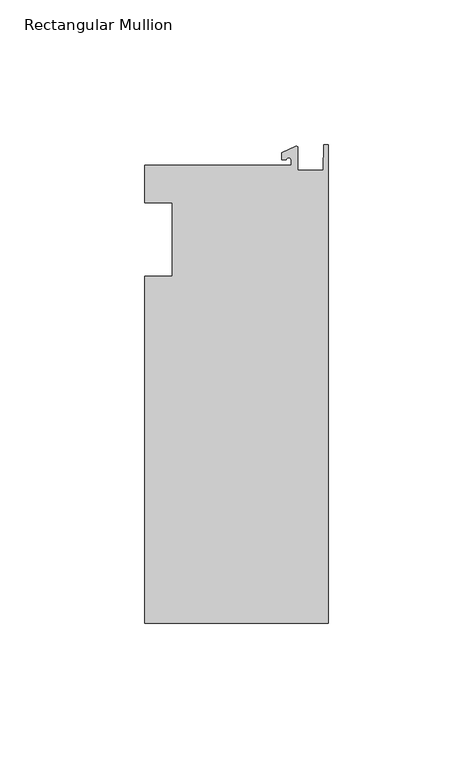
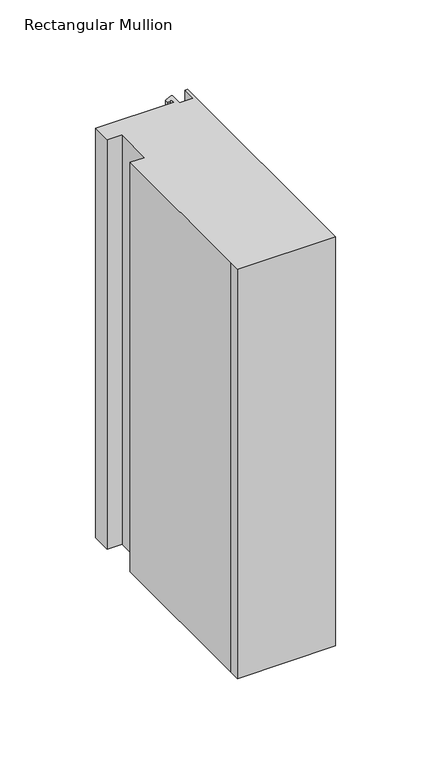
"""IFC4 building model written with IfcOpenShell, lengths in millimetres: member geometry, Rectangular Mullion."""

from ifc_helpers import new_model, si_unit, point, frame, frame_2d, origin, place, context, project, spatial, polyline, circle_curve, trimmed, segment, composite_curve, outline, extrude, source, transform, mapped, element, save


def rectangular_mullion_dcb1414c(model_context):
    return source(origin(), model_context, "Body", "SweptSolid", [
        extrude(outline(composite_curve([segment(polyline([(-12.8216721, 25.5984375), (-12.8216721, 27.5208534)]), True, "CONTINUOUS"), segment(trimmed(circle_curve(frame_2d((-13.6154221, 27.5208534)), 0.79375), [point((-12.8216721, 27.5208534))], [point((-14.4091721, 27.5208534))], True, "CARTESIAN"), True, "CONTINUOUS"), segment(polyline([(-14.4091721, 27.5208534), (-15.9966721, 27.5208534), (-15.9966721, 29.8830527), (-11.1567622, 32.1399398)]), True, "CONTINUOUS"), segment(trimmed(circle_curve(frame_2d((-10.9420721, 31.6795354)), 0.508), [point((-11.1567622, 32.1399398))], [point((-10.4340721, 31.6795354))], False, "CARTESIAN"), True, "CONTINUOUS"), segment(polyline([(-10.4340721, 31.6795354), (-10.4340721, 23.9227662), (-1.7144124, 23.9227662), (-1.5566453, 32.810012), (0.0, 32.810012), (0.0, -132.822512), (-63.5, -132.822512), (-63.5, -125.075512), (-63.5, -12.7), (-53.975, -12.7), (-53.975, 12.7), (-63.5, 12.7), (-63.5, 25.5984375), (-12.8216721, 25.5984375)]), True, "CONTINUOUS")], self_intersect=False)), frame((0.0, 0.0, -279.4), z_axis=(0.0, 0.0, 1.0), x_axis=(1.0, 0.0, 0.0)), (0.0, 0.0, 1.0), 279.4),
    ])


if __name__ == "__main__":
    model = new_model("IFC4")
    model_context = context("Model", 3, world=origin())
    ifc_project = project(units=[si_unit("LENGTHUNIT", "METRE", prefix="MILLI")], contexts=[model_context])
    site = spatial("IfcSite", under=ifc_project)
    building = spatial("IfcBuilding", under=site)
    placement = place(None, origin())
    rectangular_mullion_shape = rectangular_mullion_dcb1414c(model_context)
    element("IfcMember", 1, ObjectType="Rectangular Mullion", at=placement, inside=building, context=model_context, shape_type="MappedRepresentation", body=[
        mapped(rectangular_mullion_shape, transform((0.0, 0.0, 0.0), x_axis=(1.0, 0.0, 0.0), y_axis=(0.0, 1.0, 0.0), z_axis=(0.0, 0.0, 1.0))),
    ])
    save(model, "model.ifc")
